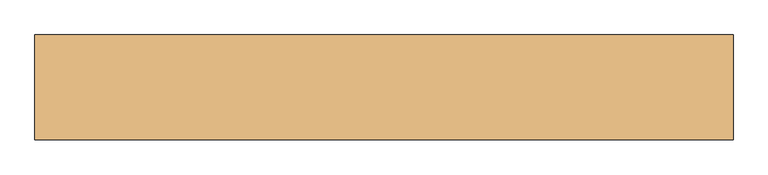
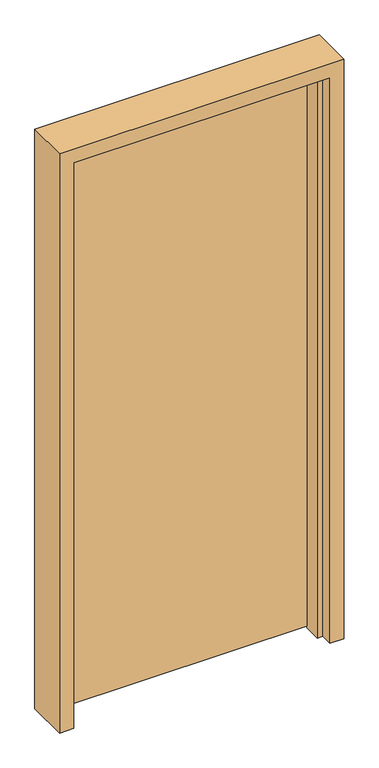
"""IFC4 building model written with IfcOpenShell, lengths in millimetres: door geometry."""

from ifc_helpers import new_model, si_unit, frame, origin, place, context, project, spatial, polyline, outline, extrude, faceted_brep, source, transform, mapped, element, save


def door_a2d6f7c6(model_context):
    return source(origin(), model_context, "Body", "SolidModel", [
        faceted_brep([(-274.6029148, 127.0, 2184.4), (-274.6029148, -25.4, 2184.4), (741.3970852, -25.4, 2184.4), (741.3970852, 127.0, 2184.4), (-223.8029148, 127.0, 0.0), (-223.8029148, 82.55, 0.0), (-204.7529148, 82.55, 0.0), (-204.7529148, 19.05, 0.0), (-223.8029148, 19.05, 0.0), (-223.8029148, -25.4, 0.0), (-274.6029148, -25.4, 0.0), (-274.6029148, 127.0, 0.0), (741.3970852, -25.4, 0.0), (690.5970852, -25.4, 0.0), (690.5970852, 19.05, 0.0), (671.5470852, 19.05, 0.0), (671.5470852, 82.55, 0.0), (690.5970852, 82.55, 0.0), (690.5970852, 127.0, 0.0), (741.3970852, 127.0, 0.0), (690.5970852, 127.0, 2133.6), (-223.8029148, 127.0, 2133.6), (-223.8029148, -25.4, 2133.6), (690.5970852, -25.4, 2133.6), (-223.8029148, 19.05, 2133.6), (-204.7529148, 19.05, 2108.2), (671.5470852, 19.05, 2108.2), (690.5970852, 19.05, 2133.6), (-204.7529148, 82.55, 2108.2), (-223.8029148, 82.55, 2133.6), (690.5970852, 82.55, 2133.6), (671.5470852, 82.55, 2108.2)], [[[0, 1, 2, 3]], [[4, 5, 6, 7, 8, 9, 10, 11]], [[12, 13, 14, 15, 16, 17, 18, 19]], [[0, 3, 19, 18, 20, 21, 4, 11]], [[10, 1, 0, 11]], [[2, 1, 10, 9, 22, 23, 13, 12]], [[9, 8, 24, 22]], [[8, 7, 25, 26, 15, 14, 27, 24]], [[7, 6, 28, 25]], [[6, 5, 29, 30, 17, 16, 31, 28]], [[29, 5, 4, 21]], [[19, 3, 2, 12]], [[18, 17, 30, 20]], [[16, 15, 26, 31]], [[27, 14, 13, 23]], [[24, 27, 23, 22]], [[28, 31, 26, 25]], [[21, 20, 30, 29]]]),
        extrude(outline(polyline([(690.5970852, 82.55), (-223.8029148, 82.55), (-223.8029148, 127.0), (690.5970852, 127.0), (690.5970852, 82.55)])), frame((0.0, 0.0, 6.35), z_axis=(0.0, 0.0, 1.0), x_axis=(1.0, 0.0, 0.0)), (0.0, 0.0, 1.0), 2127.25),
    ])


if __name__ == "__main__":
    model = new_model("IFC4")
    model_context = context("Model", 3, world=origin())
    ifc_project = project(units=[si_unit("LENGTHUNIT", "METRE", prefix="MILLI")], contexts=[model_context])
    site = spatial("IfcSite", under=ifc_project)
    building = spatial("IfcBuilding", under=site)
    placement = place(None, origin())
    door_shape = door_a2d6f7c6(model_context)
    element("IfcDoor", 1, at=placement, inside=building, context=model_context, shape_type="MappedRepresentation", body=[
        mapped(door_shape, transform((0.0, 0.0, 0.0), x_axis=(1.0, 0.0, 0.0), y_axis=(0.0, 1.0, 0.0), z_axis=(0.0, 0.0, 1.0))),
    ])
    save(model, "model.ifc")
